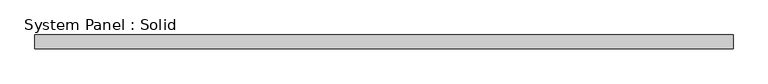
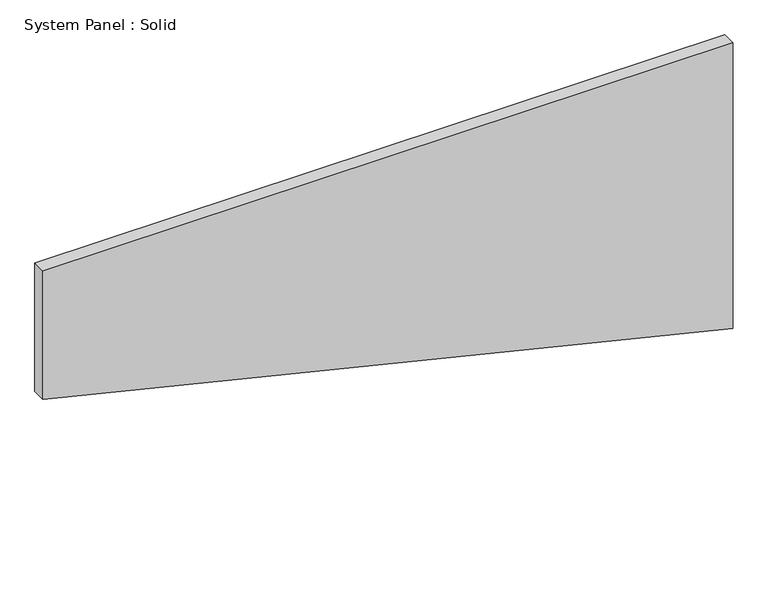
"""IFC4 building model written with IfcOpenShell, lengths in millimetres: plate geometry, System Panel : Solid."""

from ifc_helpers import new_model, si_unit, frame, origin, place, context, project, spatial, polyline, outline, extrude, source, transform, mapped, element, save


def system_panel_solid_92deae72(model_context):
    return source(origin(), model_context, "Body", "SweptSolid", [
        extrude(outline(polyline([(724.8500179, -1500.0), (0.0, 1500.0), (1314.7005944, 1500.0), (1314.7005944, -1500.0), (724.8500179, -1500.0)])), frame((0.0, -10.5, 0.0), z_axis=(0.0, 1.0, 0.0), x_axis=(0.0, 0.0, 1.0)), (0.0, 0.0, 1.0), 60.0),
    ])


if __name__ == "__main__":
    model = new_model("IFC4")
    model_context = context("Model", 3, world=origin())
    ifc_project = project(units=[si_unit("LENGTHUNIT", "METRE", prefix="MILLI")], contexts=[model_context])
    site = spatial("IfcSite", under=ifc_project)
    building = spatial("IfcBuilding", under=site)
    placement = place(None, origin())
    system_panel_solid_shape = system_panel_solid_92deae72(model_context)
    element("IfcPlate", 1, ObjectType="System Panel : Solid", at=placement, inside=building, context=model_context, shape_type="MappedRepresentation", body=[
        mapped(system_panel_solid_shape, transform((0.0, 0.0, 0.0), x_axis=(1.0, 0.0, 0.0), y_axis=(0.0, 1.0, 0.0), z_axis=(0.0, 0.0, 1.0))),
    ])
    save(model, "model.ifc")
